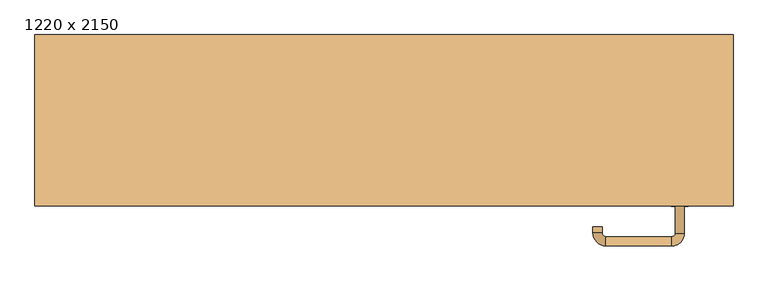
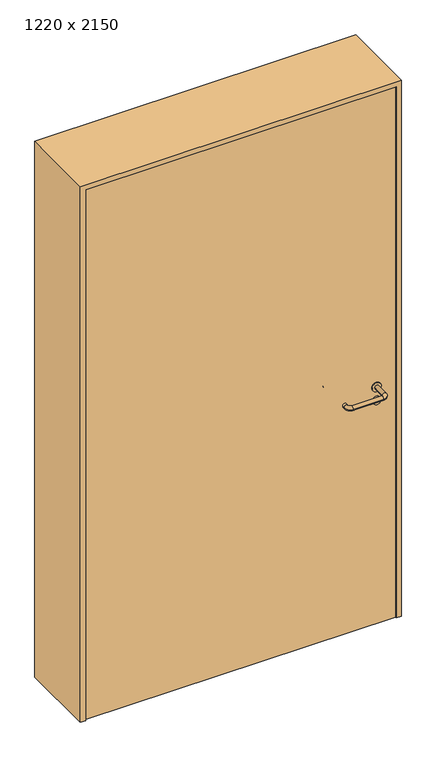
"""IFC4 building model written with IfcOpenShell, lengths in millimetres: door geometry, 1220 x 2150."""

from ifc_helpers import new_model, si_unit, point, frame, frame_2d, origin, origin_with_axes, place, context, project, spatial, polyline, circle_curve, ellipse_curve, trimmed, segment, composite_curve, outline, extrude, source, transform, mapped, element, save
from ifc_brep_helpers import plane_surface, cylinder_surface, revolved_surface, advanced_brep


def door_1220_x_2150_c4a3694f(model_context):
    return source(origin(), model_context, "Body", "SolidModel", [
        extrude(outline(composite_curve([segment(trimmed(circle_curve(frame_2d((897.3605726, 517.0)), 15.0), [point((897.3605726, 532.0))], [point((897.3605726, 502.0))], False, "CARTESIAN"), True, "CONTINUOUS"), segment(trimmed(circle_curve(frame_2d((897.3605726, 517.0)), 15.0), [point((897.3605726, 502.0))], [point((897.3605726, 532.0))], False, "CARTESIAN"), True, "CONTINUOUS")], self_intersect=False), holes=[composite_curve([segment(trimmed(circle_curve(frame_2d((892.5833211, 516.9398032)), 2.0), [point((892.5833211, 518.9398032))], [point((892.5833211, 514.9398032))], True, "CARTESIAN"), True, "CONTINUOUS"), segment(polyline([(892.5833211, 514.9398032), (902.5833211, 514.9398032)]), True, "CONTINUOUS"), segment(trimmed(circle_curve(frame_2d((902.5833211, 516.9398032)), 2.0), [point((902.5833211, 514.9398032))], [point((902.5833211, 518.9398032))], True, "CARTESIAN"), True, "CONTINUOUS"), segment(polyline([(902.5833211, 518.9398032), (892.5833211, 518.9398032)]), True, "CONTINUOUS")], self_intersect=False)]), frame((0.0, -115.0, 0.0), z_axis=(0.0, 1.0, 0.0), x_axis=(0.0, 0.0, 1.0)), (0.0, 0.0, 1.0), 6.35),
        extrude(outline(composite_curve([segment(trimmed(circle_curve(frame_2d((950.0, 517.0)), 17.526), [point((950.0, 534.526))], [point((950.0, 499.474))], False, "CARTESIAN"), True, "CONTINUOUS"), segment(trimmed(circle_curve(frame_2d((950.0, 517.0)), 17.526), [point((950.0, 499.474))], [point((950.0, 534.526))], False, "CARTESIAN"), True, "CONTINUOUS")], self_intersect=False)), frame((0.0, -115.0, 0.0), z_axis=(0.0, 1.0, 0.0), x_axis=(0.0, 0.0, 1.0)), (0.0, 0.0, 1.0), 3.175),
        advanced_brep(
        [(525.0, -115.0, 950.0), (509.0, -115.0, 950.0), (525.0, -62.0, 950.0), (509.0, -62.0, 950.0), (502.8578644, -55.8578644, 950.0), (502.8578644, -39.8578644, 950.0), (387.8578644, -39.8578644, 950.0), (387.8578644, -55.8578644, 950.0), (381.008622, -62.7071068, 950.0), (365.008622, -62.7071068, 950.0), (365.008622, -72.7071068, 950.0), (381.008622, -72.7071068, 950.0)],
        [
            (0, 1, circle_curve(frame((517.0, -115.0, 950.0), z_axis=(0.0, -1.0, 0.0), x_axis=(-1.0, 0.0, 0.0)), 8.0)),
            (1, 0, circle_curve(frame((517.0, -115.0, 950.0), z_axis=(0.0, -1.0, 0.0), x_axis=(-1.0, 0.0, 0.0)), 8.0)),
            (0, 2),
            (2, 3, circle_curve(frame((517.0, -62.0, 950.0), z_axis=(0.0, -1.0, 0.0), x_axis=(-1.0, 0.0, 0.0)), 8.0)),
            (3, 1),
            (3, 2, circle_curve(frame((517.0, -62.0, 950.0), z_axis=(0.0, -1.0, 0.0), x_axis=(-1.0, 0.0, 0.0)), 8.0)),
            (4, 3, circle_curve(frame((502.8578644, -62.0, 950.0), z_axis=(0.0, 0.0, -1.0), x_axis=(1.0, 0.0, 0.0)), 6.1421356)),
            (2, 5, circle_curve(frame((502.8578644, -62.0, 950.0), z_axis=(0.0, 0.0, 1.0), x_axis=(1.0, 0.0, 0.0)), 22.1421356)),
            (5, 4, circle_curve(frame((502.8578644, -47.8578644, 950.0), z_axis=(1.0, 0.0, 0.0), x_axis=(0.0, -1.0, 0.0)), 8.0)),
            (4, 5, circle_curve(frame((502.8578644, -47.8578644, 950.0), z_axis=(1.0, 0.0, 0.0), x_axis=(0.0, -1.0, 0.0)), 8.0)),
            (5, 6),
            (6, 7, circle_curve(frame((387.8578644, -47.8578644, 950.0), z_axis=(1.0, 0.0, 0.0), x_axis=(0.0, -1.0, 0.0)), 8.0)),
            (7, 4),
            (7, 6, circle_curve(frame((387.8578644, -47.8578644, 950.0), z_axis=(1.0, 0.0, 0.0), x_axis=(0.0, -1.0, 0.0)), 8.0)),
            (8, 7, circle_curve(frame((387.8578644, -62.7071068, 950.0), z_axis=(0.0, 0.0, -1.0), x_axis=(0.0, 1.0, 0.0)), 6.8492424)),
            (6, 9, circle_curve(frame((387.8578644, -62.7071068, 950.0), z_axis=(0.0, 0.0, 1.0), x_axis=(0.0, 1.0, 0.0)), 22.8492424)),
            (9, 8, circle_curve(frame((373.008622, -62.7071068, 950.0), z_axis=(0.0, 1.0, 0.0), x_axis=(1.0, 0.0, 0.0)), 8.0)),
            (8, 9, circle_curve(frame((373.008622, -62.7071068, 950.0), z_axis=(0.0, 1.0, 0.0), x_axis=(1.0, 0.0, 0.0)), 8.0)),
            (10, 11, circle_curve(frame((373.008622, -72.7071068, 950.0), z_axis=(0.0, -1.0, 0.0), x_axis=(1.0, 0.0, 0.0)), 8.0)),
            (11, 10, circle_curve(frame((373.008622, -72.7071068, 950.0), z_axis=(0.0, -1.0, 0.0), x_axis=(1.0, 0.0, 0.0)), 8.0)),
            (9, 10),
            (11, 8),
        ],
        [
            plane_surface(frame((517.0, -115.0, 0.0), z_axis=(0.0, -1.0, 0.0), x_axis=(0.0, 0.0, 1.0))),
            cylinder_surface(frame((517.0, -115.0, 950.0), z_axis=(0.0, -1.0, 0.0), x_axis=(-1.0, 0.0, 0.0)), 8.0),
            revolved_surface(trimmed(ellipse_curve(frame((517.0, -62.0, 950.0), z_axis=(0.0, -1.0, 0.0), x_axis=(-1.0, 0.0, 0.0)), 8.0, 8.0), [point((525.0, -62.0, 950.0))], [point((509.0, -62.0, 950.0))], True, "CARTESIAN"), (502.8578644, -62.0, 0.0), (0.0, 0.0, 1.0)),
            revolved_surface(trimmed(ellipse_curve(frame((517.0, -62.0, 950.0), z_axis=(0.0, -1.0, 0.0), x_axis=(-1.0, 0.0, 0.0)), 8.0, 8.0), [point((509.0, -62.0, 950.0))], [point((525.0, -62.0, 950.0))], True, "CARTESIAN"), (502.8578644, -62.0, 0.0), (0.0, 0.0, 1.0)),
            cylinder_surface(frame((502.8578644, -47.8578644, 950.0), z_axis=(1.0, 0.0, 0.0), x_axis=(0.0, -1.0, 0.0)), 8.0),
            revolved_surface(trimmed(ellipse_curve(frame((387.8578644, -47.8578644, 950.0), z_axis=(1.0, 0.0, 0.0), x_axis=(0.0, -1.0, 0.0)), 8.0, 8.0), [point((387.8578644, -39.8578644, 950.0))], [point((387.8578644, -55.8578644, 950.0))], True, "CARTESIAN"), (387.8578644, -62.7071068, 0.0), (0.0, 0.0, 1.0)),
            revolved_surface(trimmed(ellipse_curve(frame((387.8578644, -47.8578644, 950.0), z_axis=(1.0, 0.0, 0.0), x_axis=(0.0, -1.0, 0.0)), 8.0, 8.0), [point((387.8578644, -55.8578644, 950.0))], [point((387.8578644, -39.8578644, 950.0))], True, "CARTESIAN"), (387.8578644, -62.7071068, 0.0), (0.0, 0.0, 1.0)),
            plane_surface(frame((373.008622, -72.7071068, 0.0), z_axis=(0.0, -1.0, 0.0), x_axis=(0.0, 0.0, 1.0))),
            cylinder_surface(frame((373.008622, -62.7071068, 950.0), z_axis=(0.0, 1.0, 0.0), x_axis=(1.0, 0.0, 0.0)), 8.0),
        ],
        [
            (0, [[1, 2]]),
            (1, [[-1, 3, 4, 5]]),
            (1, [[-2, -5, 6, -3]]),
            (2, [[7, -4, 8, 9]]),
            (3, [[-8, -6, -7, 10]]),
            (4, [[-9, 11, 12, 13]]),
            (4, [[-10, -13, 14, -11]]),
            (5, [[15, -12, 16, 17]]),
            (6, [[-16, -14, -15, 18]]),
            (7, [[19, 20]]),
            (8, [[-17, 21, -20, 22]]),
            (8, [[-18, -22, -19, -21]]),
        ],
    ),
        extrude(outline(composite_curve([segment(trimmed(circle_curve(frame_2d((0.0, 15.0)), 15.0), [point((0.0, 30.0))], [point((0.0, 0.0))], False, "CARTESIAN"), True, "CONTINUOUS"), segment(trimmed(circle_curve(frame_2d((0.0, 15.0)), 15.0), [point((0.0, 0.0))], [point((0.0, 30.0))], False, "CARTESIAN"), True, "CONTINUOUS")], self_intersect=False), holes=[composite_curve([segment(trimmed(circle_curve(frame_2d((-4.7772515, 14.9398032)), 2.0), [point((-4.7772515, 16.9398032))], [point((-4.7772515, 12.9398032))], True, "CARTESIAN"), True, "CONTINUOUS"), segment(polyline([(-4.7772515, 12.9398032), (5.2227485, 12.9398032)]), True, "CONTINUOUS"), segment(trimmed(circle_curve(frame_2d((5.2227485, 14.9398032)), 2.0), [point((5.2227485, 12.9398032))], [point((5.2227485, 16.9398032))], True, "CARTESIAN"), True, "CONTINUOUS"), segment(polyline([(5.2227485, 16.9398032), (-4.7772515, 16.9398032)]), True, "CONTINUOUS")], self_intersect=False)]), frame((502.0, -151.35, 897.3605726), z_axis=(-1.8870575173328306e-12, 1.0, 0.0), x_axis=(0.0, 0.0, 1.0)), (0.0, 0.0, 1.0), 6.35),
        extrude(outline(composite_curve([segment(trimmed(circle_curve(frame_2d((0.0, 17.526)), 17.526), [point((0.0, 35.052))], [point((0.0, 0.0))], False, "CARTESIAN"), True, "CONTINUOUS"), segment(trimmed(circle_curve(frame_2d((0.0, 17.526)), 17.526), [point((0.0, 0.0))], [point((0.0, 35.052))], False, "CARTESIAN"), True, "CONTINUOUS")], self_intersect=False)), frame((499.474, -148.175, 950.0), z_axis=(-1.8870575173328306e-12, 1.0, 0.0), x_axis=(0.0, 0.0, 1.0)), (0.0, 0.0, 1.0), 3.175),
        advanced_brep(
        [(525.0, -145.0, 950.0), (509.0, -145.0, 950.0), (509.0, -198.0, 950.0), (525.0, -198.0, 950.0), (502.8578644, -204.1421356, 950.0), (502.8578644, -220.1421356, 950.0), (387.8578644, -204.1421356, 950.0), (387.8578644, -220.1421356, 950.0), (381.008622, -197.2928932, 950.0), (365.008622, -197.2928932, 950.0), (365.008622, -187.2928932, 950.0), (381.008622, -187.2928932, 950.0)],
        [
            (0, 1, circle_curve(frame((517.0, -145.0, 950.0), z_axis=(-1.888672253512351e-12, 1.0, 0.0), x_axis=(-1.0, -1.888672253512351e-12, 0.0)), 8.0)),
            (1, 0, circle_curve(frame((517.0, -145.0, 950.0), z_axis=(-1.888672253512351e-12, 1.0, 0.0), x_axis=(-1.0, -1.888672253512351e-12, 0.0)), 8.0)),
            (1, 2),
            (2, 3, circle_curve(frame((517.0, -198.0, 950.0), z_axis=(-1.888672253512351e-12, 1.0, 0.0), x_axis=(-1.0, -1.888672253512351e-12, 0.0)), 8.0)),
            (3, 0),
            (3, 2, circle_curve(frame((517.0, -198.0, 950.0), z_axis=(-1.888672253512351e-12, 1.0, 0.0), x_axis=(-1.0, -1.888672253512351e-12, 0.0)), 8.0)),
            (4, 5, circle_curve(frame((502.8578644, -212.1421356, 950.0), z_axis=(1.0, 1.913702061528922e-12, 0.0), x_axis=(-1.913702061528922e-12, 1.0, 0.0)), 8.0)),
            (5, 3, circle_curve(frame((502.8578644, -198.0, 950.0), z_axis=(0.0, 0.0, 1.0), x_axis=(1.0, 1.880717803715015e-12, 0.0)), 22.1421356)),
            (2, 4, circle_curve(frame((502.8578644, -198.0, 950.0), z_axis=(0.0, 0.0, -1.0), x_axis=(1.0, 1.880717803715015e-12, 0.0)), 6.1421356)),
            (5, 4, circle_curve(frame((502.8578644, -212.1421356, 950.0), z_axis=(1.0, 1.913702061528922e-12, 0.0), x_axis=(-1.913702061528922e-12, 1.0, 0.0)), 8.0)),
            (4, 6),
            (6, 7, circle_curve(frame((387.8578644, -212.1421356, 950.0), z_axis=(1.0, 1.913719828541269e-12, 0.0), x_axis=(-1.913719828541269e-12, 1.0, 0.0)), 8.0)),
            (7, 5),
            (7, 6, circle_curve(frame((387.8578644, -212.1421356, 950.0), z_axis=(1.0, 1.913719828541269e-12, 0.0), x_axis=(-1.913719828541269e-12, 1.0, 0.0)), 8.0)),
            (8, 9, circle_curve(frame((373.008622, -197.2928932, 950.0), z_axis=(1.8888942981172756e-12, -1.0, 0.0), x_axis=(1.0, 1.8888942981172756e-12, 0.0)), 8.0)),
            (9, 7, circle_curve(frame((387.8578644, -197.2928932, 950.0), z_axis=(0.0, 0.0, 1.0), x_axis=(1.9120873253494017e-12, -1.0, 0.0)), 22.8492424)),
            (6, 8, circle_curve(frame((387.8578644, -197.2928932, 950.0), z_axis=(0.0, 0.0, -1.0), x_axis=(1.9120873253494017e-12, -1.0, 0.0)), 6.8492424)),
            (9, 8, circle_curve(frame((373.008622, -197.2928932, 950.0), z_axis=(1.890448610351751e-12, -1.0, 0.0), x_axis=(1.0, 1.890448610351751e-12, 0.0)), 8.0)),
            (10, 11, circle_curve(frame((373.008622, -187.2928932, 950.0), z_axis=(-1.8903642334018795e-12, 1.0, 0.0), x_axis=(1.0, 1.8903642334018795e-12, 0.0)), 8.0)),
            (11, 10, circle_curve(frame((373.008622, -187.2928932, 950.0), z_axis=(-1.8903642334018795e-12, 1.0, 0.0), x_axis=(1.0, 1.8903642334018795e-12, 0.0)), 8.0)),
            (8, 11),
            (10, 9),
        ],
        [
            plane_surface(frame((517.0, -145.0, 0.0), z_axis=(-1.8870575173328306e-12, 1.0, 0.0), x_axis=(0.0, 0.0, 1.0))),
            cylinder_surface(frame((517.0, -145.0, 950.0), z_axis=(-1.888672253512351e-12, 1.0, 0.0), x_axis=(-1.0, -1.888672253512351e-12, 0.0)), 8.0),
            revolved_surface(trimmed(ellipse_curve(frame((517.0, -198.0, 950.0), z_axis=(1.8823325398945356e-12, -1.0, 0.0), x_axis=(-1.0, -1.8823325398945356e-12, 0.0)), 8.0, 8.0), [point((525.0, -198.0, 950.0))], [point((509.0, -198.0, 950.0))], True, "CARTESIAN"), (502.8578644, -198.0, 0.0), (0.0, 0.0, 1.0)),
            revolved_surface(trimmed(ellipse_curve(frame((517.0, -198.0, 950.0), z_axis=(1.8823325398945356e-12, -1.0, 0.0), x_axis=(-1.0, -1.8823325398945356e-12, 0.0)), 8.0, 8.0), [point((509.0, -198.0, 950.0))], [point((525.0, -198.0, 950.0))], True, "CARTESIAN"), (502.8578644, -198.0, 0.0), (0.0, 0.0, 1.0)),
            cylinder_surface(frame((502.8578644, -212.1421356, 950.0), z_axis=(1.0, 1.913719828541269e-12, 0.0), x_axis=(-1.913719828541269e-12, 1.0, 0.0)), 8.0),
            revolved_surface(trimmed(ellipse_curve(frame((387.8578644, -212.1421356, 950.0), z_axis=(-1.0, -1.913702061528922e-12, 0.0), x_axis=(-1.913702061528922e-12, 1.0, 0.0)), 8.0, 8.0), [point((387.8578644, -220.1421356, 950.0))], [point((387.8578644, -204.1421356, 950.0))], True, "CARTESIAN"), (387.8578644, -197.2928932, 0.0), (0.0, 0.0, 1.0)),
            revolved_surface(trimmed(ellipse_curve(frame((387.8578644, -212.1421356, 950.0), z_axis=(-1.0, -1.913702061528922e-12, 0.0), x_axis=(-1.913702061528922e-12, 1.0, 0.0)), 8.0, 8.0), [point((387.8578644, -204.1421356, 950.0))], [point((387.8578644, -220.1421356, 950.0))], True, "CARTESIAN"), (387.8578644, -197.2928932, 0.0), (0.0, 0.0, 1.0)),
            plane_surface(frame((373.008622, -187.2928932, 0.0), z_axis=(-1.8887494972223595e-12, 1.0, 0.0), x_axis=(0.0, 0.0, 1.0))),
            cylinder_surface(frame((373.008622, -197.2928932, 950.0), z_axis=(1.8903642334018795e-12, -1.0, 0.0), x_axis=(1.0, 1.8903642334018795e-12, 0.0)), 8.0),
        ],
        [
            (0, [[1, 2]]),
            (1, [[3, 4, 5, -2]]),
            (1, [[-5, 6, -3, -1]]),
            (2, [[7, 8, -4, 9]]),
            (3, [[10, -9, -6, -8]]),
            (4, [[11, 12, 13, -7]]),
            (4, [[-13, 14, -11, -10]]),
            (5, [[15, 16, -12, 17]]),
            (6, [[18, -17, -14, -16]]),
            (7, [[19, 20]]),
            (8, [[21, -19, 22, -15]]),
            (8, [[-22, -20, -21, -18]]),
        ],
    ),
        extrude(outline(polyline([(2130.0, 590.0), (0.0, 590.0), (0.0, 610.0), (2150.0, 610.0), (2150.0, -610.0), (0.0, -610.0), (0.0, -590.0), (2130.0, -590.0), (2130.0, 590.0)])), frame((0.0, -150.0, 0.0), z_axis=(0.0, 1.0, 0.0), x_axis=(0.0, 0.0, 1.0)), (0.0, 0.0, 1.0), 299.0),
        extrude(outline(polyline([(-590.0, -145.0), (-590.0, -115.0), (590.0, -115.0), (590.0, -145.0), (-590.0, -145.0)])), origin_with_axes(), (0.0, 0.0, 1.0), 2130.0),
    ])


if __name__ == "__main__":
    model = new_model("IFC4")
    model_context = context("Model", 3, world=origin())
    ifc_project = project(units=[si_unit("LENGTHUNIT", "METRE", prefix="MILLI")], contexts=[model_context])
    site = spatial("IfcSite", under=ifc_project)
    building = spatial("IfcBuilding", under=site)
    placement = place(None, origin())
    door_1220_x_2150_shape = door_1220_x_2150_c4a3694f(model_context)
    element("IfcDoor", 1, ObjectType="1220 x 2150", at=placement, inside=building, context=model_context, shape_type="MappedRepresentation", body=[
        mapped(door_1220_x_2150_shape, transform((0.0, 0.0, 0.0), x_axis=(1.0, 0.0, 0.0), y_axis=(0.0, 1.0, 0.0), z_axis=(0.0, 0.0, 1.0))),
    ])
    save(model, "model.ifc")
